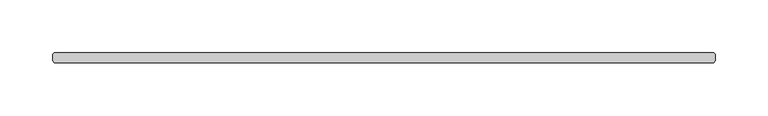
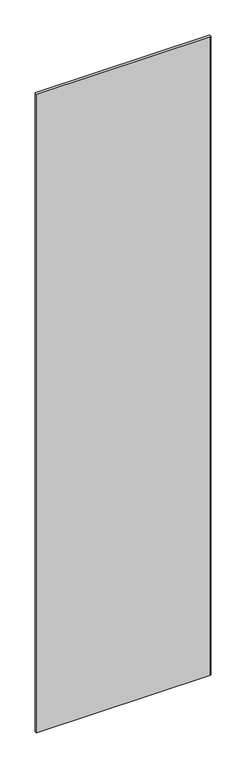
"""IFC4 building model written with IfcOpenShell, lengths in millimetres: plate geometry."""

from ifc_helpers import new_model, si_unit, origin, origin_with_axes, place, context, project, spatial, polyline, outline, extrude, source, transform, mapped, element, save


def plate_88b3fd6a(model_context):
    return source(origin(), model_context, "Body", "SweptSolid", [
        extrude(outline(polyline([(313.134375, -34.925), (-313.134375, -34.925), (-314.721875, -33.3375), (-314.721875, -26.9875), (-313.134375, -25.4), (313.134375, -25.4), (314.721875, -26.9875), (314.721875, -33.3375), (313.134375, -34.925)])), origin_with_axes(), (0.0, 0.0, 1.0), 2428.7789267),
    ])


if __name__ == "__main__":
    model = new_model("IFC4")
    model_context = context("Model", 3, world=origin())
    ifc_project = project(units=[si_unit("LENGTHUNIT", "METRE", prefix="MILLI")], contexts=[model_context])
    site = spatial("IfcSite", under=ifc_project)
    building = spatial("IfcBuilding", under=site)
    placement = place(None, origin())
    plate_shape = plate_88b3fd6a(model_context)
    element("IfcPlate", 1, at=placement, inside=building, context=model_context, shape_type="MappedRepresentation", body=[
        mapped(plate_shape, transform((0.0, 0.0, 0.0), x_axis=(1.0, 0.0, 0.0), y_axis=(0.0, 1.0, 0.0), z_axis=(0.0, 0.0, 1.0))),
    ])
    save(model, "model.ifc")
